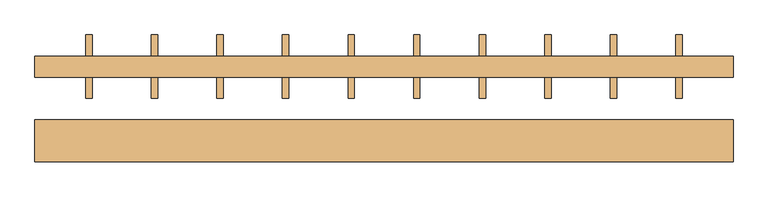
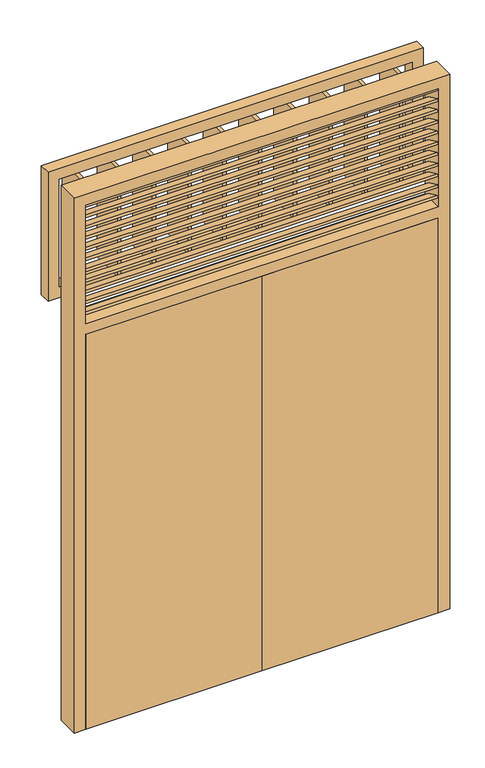
"""IFC4 building model written with IfcOpenShell, lengths in millimetres: door geometry."""

from ifc_helpers import new_model, si_unit, frame, origin, origin_with_axes, place, context, project, spatial, polyline, outline, extrude, source, transform, mapped, element, save


def door_e8838cc9(model_context):
    return source(origin(), model_context, "Body", "SweptSolid", [
        extrude(outline(polyline([(705.0, 175.0), (705.0, 25.0), (690.0, 25.0), (690.0, 175.0), (705.0, 175.0)])), frame((0.0, 0.0, 1935.0), z_axis=(0.0, 0.0, 1.0), x_axis=(1.0, 0.0, 0.0)), (0.0, 0.0, 1.0), 500.0),
        extrude(outline(polyline([(550.0, 175.0), (550.0, 25.0), (535.0, 25.0), (535.0, 175.0), (550.0, 175.0)])), frame((0.0, 0.0, 1935.0), z_axis=(0.0, 0.0, 1.0), x_axis=(1.0, 0.0, 0.0)), (0.0, 0.0, 1.0), 500.0),
        extrude(outline(polyline([(395.0, 175.0), (395.0, 25.0), (380.0, 25.0), (380.0, 175.0), (395.0, 175.0)])), frame((0.0, 0.0, 1935.0), z_axis=(0.0, 0.0, 1.0), x_axis=(1.0, 0.0, 0.0)), (0.0, 0.0, 1.0), 500.0),
        extrude(outline(polyline([(240.0, 175.0), (240.0, 25.0), (225.0, 25.0), (225.0, 175.0), (240.0, 175.0)])), frame((0.0, 0.0, 1935.0), z_axis=(0.0, 0.0, 1.0), x_axis=(1.0, 0.0, 0.0)), (0.0, 0.0, 1.0), 500.0),
        extrude(outline(polyline([(85.0, 175.0), (85.0, 25.0), (70.0, 25.0), (70.0, 175.0), (85.0, 175.0)])), frame((0.0, 0.0, 1935.0), z_axis=(0.0, 0.0, 1.0), x_axis=(1.0, 0.0, 0.0)), (0.0, 0.0, 1.0), 500.0),
        extrude(outline(polyline([(-70.0, 175.0), (-70.0, 25.0), (-85.0, 25.0), (-85.0, 175.0), (-70.0, 175.0)])), frame((0.0, 0.0, 1935.0), z_axis=(0.0, 0.0, 1.0), x_axis=(1.0, 0.0, 0.0)), (0.0, 0.0, 1.0), 500.0),
        extrude(outline(polyline([(-225.0, 175.0), (-225.0, 25.0), (-240.0, 25.0), (-240.0, 175.0), (-225.0, 175.0)])), frame((0.0, 0.0, 1935.0), z_axis=(0.0, 0.0, 1.0), x_axis=(1.0, 0.0, 0.0)), (0.0, 0.0, 1.0), 500.0),
        extrude(outline(polyline([(-380.0, 175.0), (-380.0, 25.0), (-395.0, 25.0), (-395.0, 175.0), (-380.0, 175.0)])), frame((0.0, 0.0, 1935.0), z_axis=(0.0, 0.0, 1.0), x_axis=(1.0, 0.0, 0.0)), (0.0, 0.0, 1.0), 500.0),
        extrude(outline(polyline([(-535.0, 175.0), (-535.0, 25.0), (-550.0, 25.0), (-550.0, 175.0), (-535.0, 175.0)])), frame((0.0, 0.0, 1935.0), z_axis=(0.0, 0.0, 1.0), x_axis=(1.0, 0.0, 0.0)), (0.0, 0.0, 1.0), 500.0),
        extrude(outline(polyline([(-690.0, 175.0), (-690.0, 25.0), (-705.0, 25.0), (-705.0, 175.0), (-690.0, 175.0)])), frame((0.0, 0.0, 1935.0), z_axis=(0.0, 0.0, 1.0), x_axis=(1.0, 0.0, 0.0)), (0.0, 0.0, 1.0), 500.0),
        extrude(outline(polyline([(2485.0, 825.0), (2485.0, -825.0), (1885.0, -825.0), (1885.0, 825.0), (2485.0, 825.0)]), holes=[polyline([(2435.0, 775.0), (1935.0, 775.0), (1935.0, -775.0), (2435.0, -775.0), (2435.0, 775.0)])]), frame((0.0, 75.0, 0.0), z_axis=(0.0, 1.0, 0.0), x_axis=(0.0, 0.0, 1.0)), (0.0, 0.0, 1.0), 50.0),
        extrude(outline(polyline([(0.0, 825.0), (2485.0, 825.0), (2485.0, -825.0), (0.0, -825.0), (0.0, -775.0), (1835.0, -775.0), (1835.0, 775.0), (0.0, 775.0), (0.0, 825.0)]), holes=[polyline([(1885.0, -775.0), (2435.0, -775.0), (2435.0, 775.0), (1885.0, 775.0), (1885.0, -775.0)])]), frame((0.0, -125.0, 0.0), z_axis=(0.0, 1.0, 0.0), x_axis=(0.0, 0.0, 1.0)), (0.0, 0.0, 1.0), 100.0),
        extrude(outline(polyline([(0.0, -125.0), (-775.0, -125.0), (-775.0, -75.0), (0.0, -75.0), (0.0, -125.0)])), origin_with_axes(), (0.0, 0.0, 1.0), 1835.0),
        extrude(outline(polyline([(775.0, -125.0), (0.0, -125.0), (0.0, -75.0), (775.0, -75.0), (775.0, -125.0)])), origin_with_axes(), (0.0, 0.0, 1.0), 1835.0),
        extrude(outline(polyline([(0.0, -1550.0), (0.0, 0.0), (75.0, 0.0), (75.0, -1550.0), (0.0, -1550.0)])), frame((-775.0, -123.5996333, 2425.9369221), z_axis=(0.0, 0.4226182617407006, 0.9063077870366495), x_axis=(0.0, 0.9063077870366495, -0.4226182617407006)), (0.0, 0.0, 1.0), 10.0),
        extrude(outline(polyline([(0.0, -1550.0), (0.0, 0.0), (75.0, 0.0), (75.0, -1550.0), (0.0, -1550.0)])), frame((-775.0, -123.5996333, 1925.9369221), z_axis=(0.0, 0.4226182617407006, 0.9063077870366495), x_axis=(0.0, 0.9063077870366495, -0.4226182617407006)), (0.0, 0.0, 1.0), 10.0),
        extrude(outline(polyline([(0.0, -1550.0), (0.0, 0.0), (75.0, 0.0), (75.0, -1550.0), (0.0, -1550.0)])), frame((-775.0, -123.5996333, 1975.9369221), z_axis=(0.0, 0.4226182617407006, 0.9063077870366495), x_axis=(0.0, 0.9063077870366495, -0.4226182617407006)), (0.0, 0.0, 1.0), 10.0),
        extrude(outline(polyline([(0.0, -1550.0), (0.0, 0.0), (75.0, 0.0), (75.0, -1550.0), (0.0, -1550.0)])), frame((-775.0, -123.5996333, 2025.9369221), z_axis=(0.0, 0.4226182617407006, 0.9063077870366495), x_axis=(0.0, 0.9063077870366495, -0.4226182617407006)), (0.0, 0.0, 1.0), 10.0),
        extrude(outline(polyline([(0.0, -1550.0), (0.0, 0.0), (75.0, 0.0), (75.0, -1550.0), (0.0, -1550.0)])), frame((-775.0, -123.5996333, 2075.9369221), z_axis=(0.0, 0.4226182617407006, 0.9063077870366495), x_axis=(0.0, 0.9063077870366495, -0.4226182617407006)), (0.0, 0.0, 1.0), 10.0),
        extrude(outline(polyline([(0.0, -1550.0), (0.0, 0.0), (75.0, 0.0), (75.0, -1550.0), (0.0, -1550.0)])), frame((-775.0, -123.5996333, 2125.9369221), z_axis=(0.0, 0.4226182617407006, 0.9063077870366495), x_axis=(0.0, 0.9063077870366495, -0.4226182617407006)), (0.0, 0.0, 1.0), 10.0),
        extrude(outline(polyline([(0.0, -1550.0), (0.0, 0.0), (75.0, 0.0), (75.0, -1550.0), (0.0, -1550.0)])), frame((-775.0, -123.5996333, 2175.9369221), z_axis=(0.0, 0.4226182617407006, 0.9063077870366495), x_axis=(0.0, 0.9063077870366495, -0.4226182617407006)), (0.0, 0.0, 1.0), 10.0),
        extrude(outline(polyline([(0.0, -1550.0), (0.0, 0.0), (75.0, 0.0), (75.0, -1550.0), (0.0, -1550.0)])), frame((-775.0, -123.5996333, 2225.9369221), z_axis=(0.0, 0.4226182617407006, 0.9063077870366495), x_axis=(0.0, 0.9063077870366495, -0.4226182617407006)), (0.0, 0.0, 1.0), 10.0),
        extrude(outline(polyline([(0.0, -1550.0), (0.0, 0.0), (75.0, 0.0), (75.0, -1550.0), (0.0, -1550.0)])), frame((-775.0, -123.5996333, 2275.9369221), z_axis=(0.0, 0.4226182617407006, 0.9063077870366495), x_axis=(0.0, 0.9063077870366495, -0.4226182617407006)), (0.0, 0.0, 1.0), 10.0),
        extrude(outline(polyline([(0.0, -1550.0), (0.0, 0.0), (75.0, 0.0), (75.0, -1550.0), (0.0, -1550.0)])), frame((-775.0, -123.5996333, 2325.9369221), z_axis=(0.0, 0.4226182617407006, 0.9063077870366495), x_axis=(0.0, 0.9063077870366495, -0.4226182617407006)), (0.0, 0.0, 1.0), 10.0),
        extrude(outline(polyline([(0.0, -1550.0), (0.0, 0.0), (75.0, 0.0), (75.0, -1550.0), (0.0, -1550.0)])), frame((-775.0, -123.5996333, 2375.9369221), z_axis=(0.0, 0.4226182617407006, 0.9063077870366495), x_axis=(0.0, 0.9063077870366495, -0.4226182617407006)), (0.0, 0.0, 1.0), 10.0),
    ])


if __name__ == "__main__":
    model = new_model("IFC4")
    model_context = context("Model", 3, world=origin())
    ifc_project = project(units=[si_unit("LENGTHUNIT", "METRE", prefix="MILLI")], contexts=[model_context])
    site = spatial("IfcSite", under=ifc_project)
    building = spatial("IfcBuilding", under=site)
    placement = place(None, origin())
    door_shape = door_e8838cc9(model_context)
    element("IfcDoor", 1, at=placement, inside=building, context=model_context, shape_type="MappedRepresentation", body=[
        mapped(door_shape, transform((0.0, 0.0, 0.0), x_axis=(1.0, 0.0, 0.0), y_axis=(0.0, 1.0, 0.0), z_axis=(0.0, 0.0, 1.0))),
    ])
    save(model, "model.ifc")
